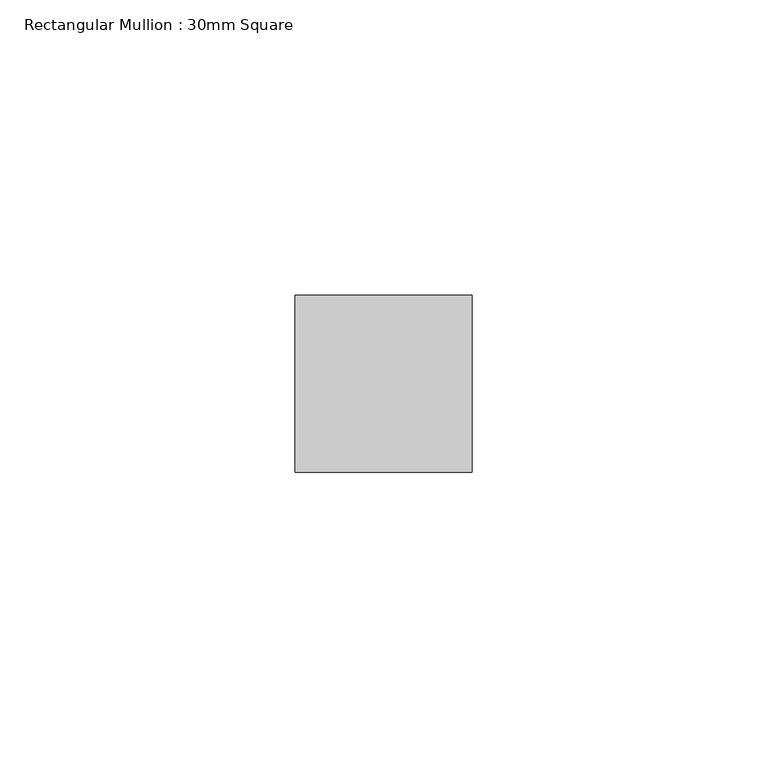
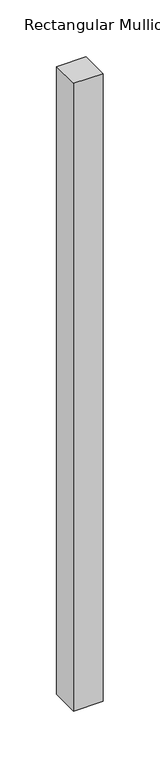
"""IFC4 building model written with IfcOpenShell, lengths in millimetres: member geometry, Rectangular Mullion : 30mm Square."""

from ifc_helpers import new_model, si_unit, frame, origin, place, context, project, spatial, polyline, outline, extrude, source, transform, mapped, element, save


def rectangular_mullion_30mm_square_94b2d61b(model_context):
    return source(origin(), model_context, "Body", "SweptSolid", [
        extrude(outline(polyline([(15.0, 15.0), (15.0, -15.0), (-15.0, -15.0), (-15.0, 15.0), (15.0, 15.0)])), frame((0.0, 0.0, -674.6528163), z_axis=(0.0, 0.0, 1.0), x_axis=(1.0, 0.0, 0.0)), (0.0, 0.0, 1.0), 674.6528163),
    ])


if __name__ == "__main__":
    model = new_model("IFC4")
    model_context = context("Model", 3, world=origin())
    ifc_project = project(units=[si_unit("LENGTHUNIT", "METRE", prefix="MILLI")], contexts=[model_context])
    site = spatial("IfcSite", under=ifc_project)
    building = spatial("IfcBuilding", under=site)
    placement = place(None, origin())
    rectangular_mullion_30mm_square_shape = rectangular_mullion_30mm_square_94b2d61b(model_context)
    element("IfcMember", 1, ObjectType="Rectangular Mullion : 30mm Square", at=placement, inside=building, context=model_context, shape_type="MappedRepresentation", body=[
        mapped(rectangular_mullion_30mm_square_shape, transform((0.0, 0.0, 0.0), x_axis=(1.0, 0.0, 0.0), y_axis=(0.0, 1.0, 0.0), z_axis=(0.0, 0.0, 1.0))),
    ])
    save(model, "model.ifc")
